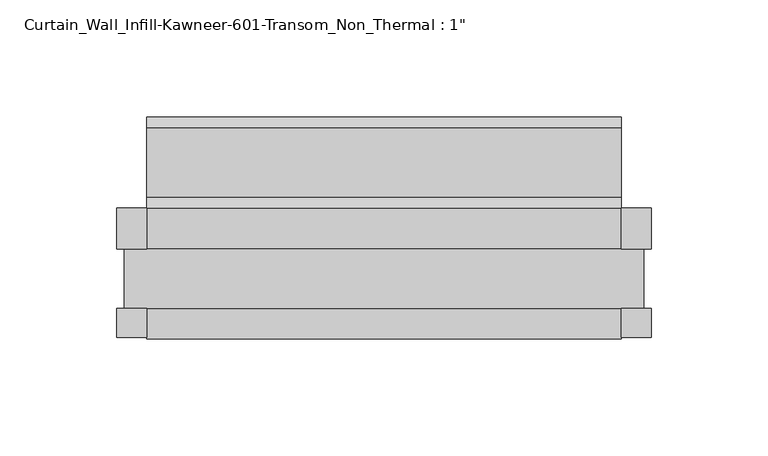
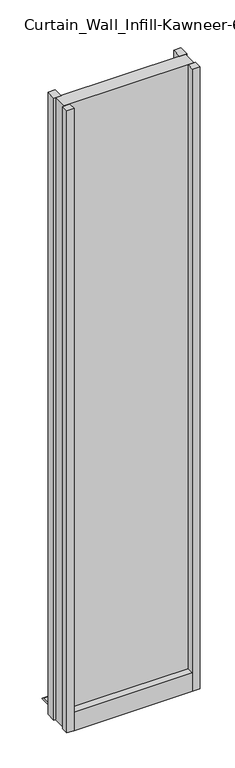
"""IFC4 building model written with IfcOpenShell, lengths in millimetres: plate geometry."""

import ifcopenshell
import ifcopenshell.guid

model = None  # the IFC model being written
_history = None  # IfcOwnerHistory: only IFC2X3 demands one
_inside = {}  # id of a spatial element -> (the spatial element, [elements in it])
_under = {}  # id of a project, library or spatial element -> (it, [spatial elements below it])
_declared = {}  # id of a project -> (the project, [libraries it declares])
_typed = {}  # id of a type object -> (the type object, [elements of that type])
_made_of = {}  # id of a material, layer set ... -> (it, [elements and type objects made of it])


def new_model(schema):
    """Start an empty IFC model of exactly this schema.

    Asked for "IFC4X3", IfcOpenShell would pick the latest addendum, in which some entities
    have other attributes; the version numbers below select the first issue.
    IFC2X3 requires an IfcOwnerHistory on every rooted entity: one is made here for all.
    """
    global model, _history
    if schema == "IFC4X3":
        model = ifcopenshell.file(schema_version=(4, 3, 0, 0))
    else:
        model = ifcopenshell.file(schema=schema)
    _inside.clear()
    _under.clear()
    _declared.clear()
    _typed.clear()
    _made_of.clear()
    _history = None
    if model.schema == "IFC2X3":
        org = make("IfcOrganization", Name="unknown")
        user = make(
            "IfcPersonAndOrganization",
            ThePerson=make("IfcPerson", FamilyName="unknown"),
            TheOrganization=org,
        )
        app = make(
            "IfcApplication",
            ApplicationDeveloper=org,
            Version="unknown",
            ApplicationFullName="unknown",
            ApplicationIdentifier="unknown",
        )
        _history = make(
            "IfcOwnerHistory",
            OwningUser=user,
            OwningApplication=app,
            ChangeAction="ADDED",
            CreationDate=0,
        )
    return model


def make(cls, **values):
    """One entity of the class cls with the attributes given. An attribute that is None is left unset."""
    return model.create_entity(
        cls, **{name: value for name, value in values.items() if value is not None}
    )


def rooted(cls, **values):
    """An entity with a GlobalId (a new one), such as an element, a storey or a relation."""
    return make(cls, GlobalId=ifcopenshell.guid.new(), OwnerHistory=_history, **values)


def si_unit(unit_type, name, prefix=None):
    """IfcSIUnit, for example si_unit("LENGTHUNIT", "METRE", prefix="MILLI")."""
    return make("IfcSIUnit", UnitType=unit_type, Prefix=prefix, Name=name)


def assignment(units):
    """IfcUnitAssignment: the units of a project."""
    return None if units is None else make("IfcUnitAssignment", Units=units)


def point(xyz):
    """IfcCartesianPoint."""
    return None if xyz is None else make("IfcCartesianPoint", Coordinates=xyz)


def direction(xyz):
    """IfcDirection."""
    return None if xyz is None else make("IfcDirection", DirectionRatios=xyz)


def frame(location, z_axis=None, x_axis=None):
    """IfcAxis2Placement3D, a coordinate frame: its origin and axes. An axis left out is left unset."""
    return make(
        "IfcAxis2Placement3D",
        Location=point(location),
        Axis=direction(z_axis),
        RefDirection=direction(x_axis),
    )


def origin():
    """The frame at (0, 0, 0) with its axes left unset."""
    return frame((0.0, 0.0, 0.0))


def origin_with_axes():
    """The frame at (0, 0, 0) with the z axis (0, 0, 1) and the x axis (1, 0, 0) written out."""
    return frame((0.0, 0.0, 0.0), z_axis=(0.0, 0.0, 1.0), x_axis=(1.0, 0.0, 0.0))


def place(relative_to, where):
    """IfcLocalPlacement: puts the frame where relative to a parent placement (None: the world)."""
    return make(
        "IfcLocalPlacement", PlacementRelTo=relative_to, RelativePlacement=where
    )


def context(
    kind, dimensions, precision=None, world=None, true_north=None, identifier=None
):
    """IfcGeometricRepresentationContext, for example the 3D "Model" context."""
    return make(
        "IfcGeometricRepresentationContext",
        ContextIdentifier=identifier,
        ContextType=kind,
        CoordinateSpaceDimension=dimensions,
        Precision=precision,
        WorldCoordinateSystem=world,
        TrueNorth=true_north,
    )


def project(units=None, contexts=None):
    """IfcProject with its units and contexts."""
    return rooted(
        "IfcProject",
        Name="project",
        RepresentationContexts=contexts,
        UnitsInContext=assignment(units),
    )


def spatial(cls, under=None, at=None, **own):
    """A site, building, storey or space (cls), placed at a placement, below another one or the project."""
    s = rooted(cls, ObjectPlacement=at, **own)
    if under is not None:
        _under.setdefault(under.id(), (under, []))[1].append(s)
    return s


def polyline(points):
    """IfcPolyline through the points."""
    return make("IfcPolyline", Points=[point(p) for p in points])


def outline(outer, holes=None, kind="AREA"):
    """IfcArbitraryClosedProfileDef: a profile drawn as a closed curve; with holes, ...WithVoids."""
    if holes is None:
        return make("IfcArbitraryClosedProfileDef", ProfileType=kind, OuterCurve=outer)
    return make(
        "IfcArbitraryProfileDefWithVoids",
        ProfileType=kind,
        OuterCurve=outer,
        InnerCurves=holes,
    )


def extrude(swept, where, along, depth):
    """IfcExtrudedAreaSolid: the profile swept, set in the frame where, extruded along a direction by depth."""
    return make(
        "IfcExtrudedAreaSolid",
        SweptArea=swept,
        Position=where,
        ExtrudedDirection=direction(along),
        Depth=depth,
    )


def shape(context_of_items, identifier, shape_type, items):
    """IfcShapeRepresentation: the items that make up one representation, for example the "Body"."""
    return make(
        "IfcShapeRepresentation",
        ContextOfItems=context_of_items,
        RepresentationIdentifier=identifier,
        RepresentationType=shape_type,
        Items=items,
    )


def source(mapping_origin, context_of_items, identifier, shape_type, items):
    """IfcRepresentationMap: a shape defined once, which mapped items show again and again."""
    return make(
        "IfcRepresentationMap",
        MappingOrigin=mapping_origin,
        MappedRepresentation=shape(context_of_items, identifier, shape_type, items),
    )


def transform(
    local_origin,
    x_axis=None,
    y_axis=None,
    z_axis=None,
    scale=None,
    scale2=None,
    scale3=None,
    uniform=True,
):
    """IfcCartesianTransformationOperator3D, or its non-uniform kind. x_axis, y_axis, z_axis: its Axis1, 2, 3."""
    if uniform:
        return make(
            "IfcCartesianTransformationOperator3D",
            Axis1=direction(x_axis),
            Axis2=direction(y_axis),
            LocalOrigin=point(local_origin),
            Scale=scale,
            Axis3=direction(z_axis),
        )
    return make(
        "IfcCartesianTransformationOperator3DnonUniform",
        Axis1=direction(x_axis),
        Axis2=direction(y_axis),
        LocalOrigin=point(local_origin),
        Scale=scale,
        Axis3=direction(z_axis),
        Scale2=scale2,
        Scale3=scale3,
    )


def mapped(mapping_source, mapping_target):
    """IfcMappedItem: shows the shape of a source again, moved by a transform."""
    return make(
        "IfcMappedItem", MappingSource=mapping_source, MappingTarget=mapping_target
    )


def made_of(thing, what):
    """Note that an element or type object is made of a material, layer set ...; save() writes the relation."""
    if what is not None:
        _made_of.setdefault(what.id(), (what, []))[1].append(thing)
    return thing


def element(
    cls,
    number,
    at=None,
    inside=None,
    cuts=None,
    type_object=None,
    material=None,
    context=None,
    identifier="Body",
    shape_type=None,
    held_by="IfcProductDefinitionShape",
    body=None,
    shapes=None,
    **own,
):
    """One element of the class cls, such as IfcWall. Its Tag is "e" and its number.

    at: its placement. inside: the storey or other place that contains it. cuts: it is an
    opening in that element (IfcRelVoidsElement). A single representation is given by context,
    identifier, shape_type and body (its items); several are given by shapes. held_by: the class
    of the entity that holds the representations. save() writes the other relations.
    """
    e = rooted(cls, Tag="e%d" % number, ObjectPlacement=at, **own)
    if body is not None:
        shapes = [shape(context, identifier, shape_type, body)]
    if shapes is not None:
        e.Representation = make(held_by, Representations=shapes)
    if inside is not None:
        _inside.setdefault(inside.id(), (inside, []))[1].append(e)
    if cuts is not None:
        rooted(
            "IfcRelVoidsElement", RelatingBuildingElement=cuts, RelatedOpeningElement=e
        )
    if type_object is not None:
        _typed.setdefault(type_object.id(), (type_object, []))[1].append(e)
    return made_of(e, material)


def aggregate(whole, parts):
    """IfcRelAggregates: a whole, such as a stair, and the parts it consists of."""
    return rooted("IfcRelAggregates", RelatingObject=whole, RelatedObjects=parts)


def save(model, path):
    """Write the relations noted so far, then the file.

    IfcRelAggregates (storeys below a building ...), IfcRelContainedInSpatialStructure (elements
    in a storey), IfcRelDefinesByType, IfcRelAssociatesMaterial and IfcRelDeclares: one each for
    every whole, place, type object, material and project.
    """
    for whole, parts in _under.values():
        aggregate(whole, parts)
    for where, things in _inside.values():
        rooted(
            "IfcRelContainedInSpatialStructure",
            RelatedElements=things,
            RelatingStructure=where,
        )
    for kind, things in _typed.values():
        rooted("IfcRelDefinesByType", RelatedObjects=things, RelatingType=kind)
    for what, things in _made_of.values():
        rooted("IfcRelAssociatesMaterial", RelatedObjects=things, RelatingMaterial=what)
    for by, libraries in _declared.values():
        rooted("IfcRelDeclares", RelatingContext=by, RelatedDefinitions=libraries)
    model.write(path)


def plate_91fd4add(model_context):
    return source(origin(), model_context, "Body", "SweptSolid", [
        extrude(outline(polyline([(101.6, -25.2723869), (101.6, -12.7), (114.3, -12.7), (114.3, -25.2723869), (101.6, -25.2723869)])), origin_with_axes(), (0.0, 0.0, 1.0), 1127.125),
        extrude(outline(polyline([(114.3, 30.2901131), (114.3, 12.7), (101.6, 12.7), (101.6, 30.2901131), (114.3, 30.2901131)])), origin_with_axes(), (0.0, 0.0, 1.0), 1127.125),
        extrude(outline(polyline([(-101.6, -25.2723869), (-114.3, -25.2723869), (-114.3, -12.7), (-101.6, -12.7), (-101.6, -25.2723869)])), origin_with_axes(), (0.0, 0.0, 1.0), 1127.125),
        extrude(outline(polyline([(-114.3, 30.2901131), (-101.6, 30.2901131), (-101.6, 12.7), (-114.3, 12.7), (-114.3, 30.2901131)])), origin_with_axes(), (0.0, 0.0, 1.0), 1127.125),
        extrude(outline(polyline([(-12.7, 33.3375), (-12.7, 23.8125), (12.7, 23.8125), (12.7, 33.3375), (30.2435382, 33.3375), (30.2435382, 6.3122662), (34.9431706, 3.7072174), (64.5512788, 3.7072174), (69.3036182, 0.963453), (69.3036182, 0.0), (-25.625216, 0.0), (-25.625216, 33.3375), (-12.7, 33.3375)])), frame((-101.6, 0.0, 0.0), z_axis=(1.0, 0.0, 0.0), x_axis=(0.0, 1.0, 0.0)), (0.0, 0.0, 1.0), 203.2),
        extrude(outline(polyline([(-111.125, -12.7), (-111.125, 12.7), (111.125, 12.7), (111.125, -12.7), (-111.125, -12.7)])), origin_with_axes(), (0.0, 0.0, 1.0), 1127.125),
    ])


if __name__ == "__main__":
    model = new_model("IFC4")
    model_context = context("Model", 3, world=origin())
    ifc_project = project(units=[si_unit("LENGTHUNIT", "METRE", prefix="MILLI")], contexts=[model_context])
    site = spatial("IfcSite", under=ifc_project)
    building = spatial("IfcBuilding", under=site)
    placement = place(None, origin())
    plate_shape = plate_91fd4add(model_context)
    element("IfcPlate", 1, ObjectType="Curtain_Wall_Infill-Kawneer-601-Transom_Non_Thermal : 1\"", at=placement, inside=building, context=model_context, shape_type="MappedRepresentation", body=[
        mapped(plate_shape, transform((0.0, 0.0, 0.0), x_axis=(1.0, 0.0, 0.0), y_axis=(0.0, 1.0, 0.0), z_axis=(0.0, 0.0, 1.0))),
    ])
    save(model, "model.ifc")
